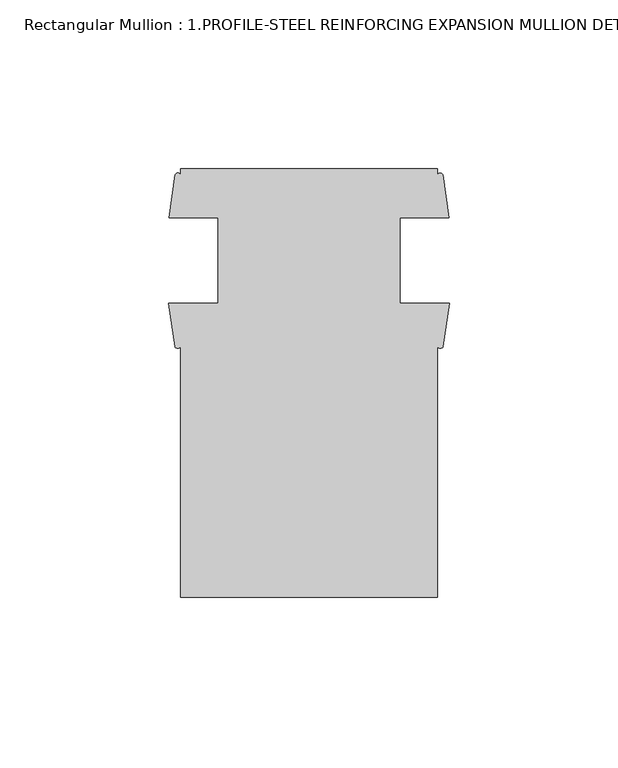
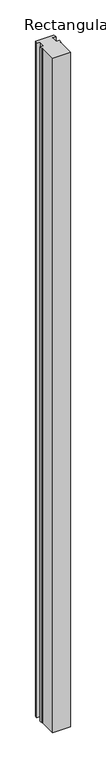
"""IFC4 building model written with IfcOpenShell, lengths in millimetres: member geometry, Rectangular Mullion : 1.PROFILE-STEEL REINFORCING EXPANSION MULLION DETAIL-6A."""

from ifc_helpers import new_model, si_unit, point, frame, frame_2d, origin, place, context, project, spatial, polyline, circle_curve, trimmed, segment, composite_curve, outline, extrude, source, transform, mapped, element, save


def rectangular_mullion_1_profile_steel_reinforcing_expansion_1bee2c72(model_context):
    return source(origin(), model_context, "Body", "SweptSolid", [
        extrude(outline(composite_curve([segment(polyline([(-79.7194629, -71.8455956), (-79.7194629, 2.4778266)]), True, "CONTINUOUS"), segment(trimmed(circle_curve(frame_2d((-80.5511651, 3.0219854)), 0.9939001), [point((-79.7194629, 2.4778266))], [point((-81.3828673, 2.4778266))], False, "CARTESIAN"), True, "CONTINUOUS"), segment(polyline([(-81.3828673, 2.4778266), (-83.2389846, 15.2508793), (-68.6069629, 15.2508793), (-68.6069629, 40.6508793), (-83.1154629, 40.6508793), (-81.3053591, 53.4221669)]), True, "CONTINUOUS"), segment(trimmed(circle_curve(frame_2d((-80.512411, 53.024925)), 0.8868866), [point((-81.3053591, 53.4221669))], [point((-79.7194629, 53.4221669))], False, "CARTESIAN"), True, "CONTINUOUS"), segment(polyline([(-79.7194629, 53.4221669), (-79.7194629, 55.1544044), (-3.5195217, 55.1544044), (-3.5195217, 53.4221669)]), True, "CONTINUOUS"), segment(trimmed(circle_curve(frame_2d((-2.7265736, 52.9603447)), 0.9176309), [point((-3.5195217, 53.4221669))], [point((-1.9336255, 53.4221669))], False, "CARTESIAN"), True, "CONTINUOUS"), segment(polyline([(-1.9336255, 53.4221669), (-0.1235217, 40.6508793), (-14.6319629, 40.6508793), (-14.6319629, 15.2508793), (0.0, 15.2508793), (-1.8561173, 2.4778266)]), True, "CONTINUOUS"), segment(trimmed(circle_curve(frame_2d((-2.6878195, 3.0284998)), 0.9974816), [point((-1.8561173, 2.4778266))], [point((-3.5195217, 2.4778266))], False, "CARTESIAN"), True, "CONTINUOUS"), segment(polyline([(-3.5195217, 2.4778266), (-3.5195217, -71.8455956), (-79.7194629, -71.8455956)]), True, "CONTINUOUS")], self_intersect=False)), frame((0.0, 0.0, -3048.0), z_axis=(0.0, 0.0, 1.0), x_axis=(1.0, 0.0, 0.0)), (0.0, 0.0, 1.0), 3048.0),
    ])


if __name__ == "__main__":
    model = new_model("IFC4")
    model_context = context("Model", 3, world=origin())
    ifc_project = project(units=[si_unit("LENGTHUNIT", "METRE", prefix="MILLI")], contexts=[model_context])
    site = spatial("IfcSite", under=ifc_project)
    building = spatial("IfcBuilding", under=site)
    placement = place(None, origin())
    rectangular_mullion_1_profile_steel_reinforcing_expansion_shape = rectangular_mullion_1_profile_steel_reinforcing_expansion_1bee2c72(model_context)
    element("IfcMember", 1, ObjectType="Rectangular Mullion : 1.PROFILE-STEEL REINFORCING EXPANSION MULLION DETAIL-6A", at=placement, inside=building, context=model_context, shape_type="MappedRepresentation", body=[
        mapped(rectangular_mullion_1_profile_steel_reinforcing_expansion_shape, transform((0.0, 0.0, 0.0), x_axis=(1.0, 0.0, 0.0), y_axis=(0.0, 1.0, 0.0), z_axis=(0.0, 0.0, 1.0))),
    ])
    save(model, "model.ifc")
